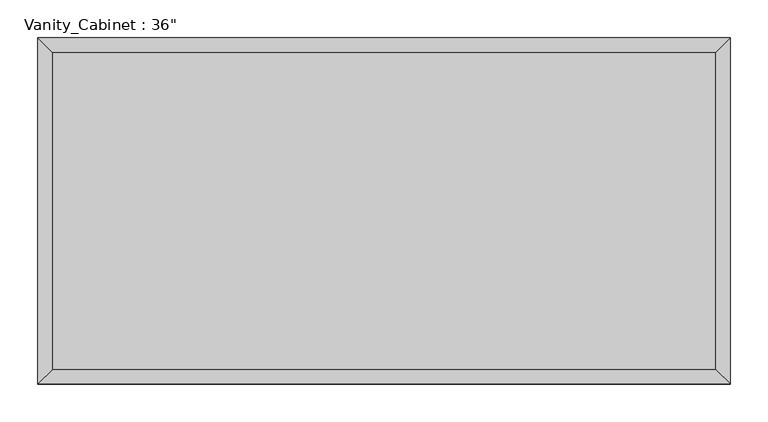
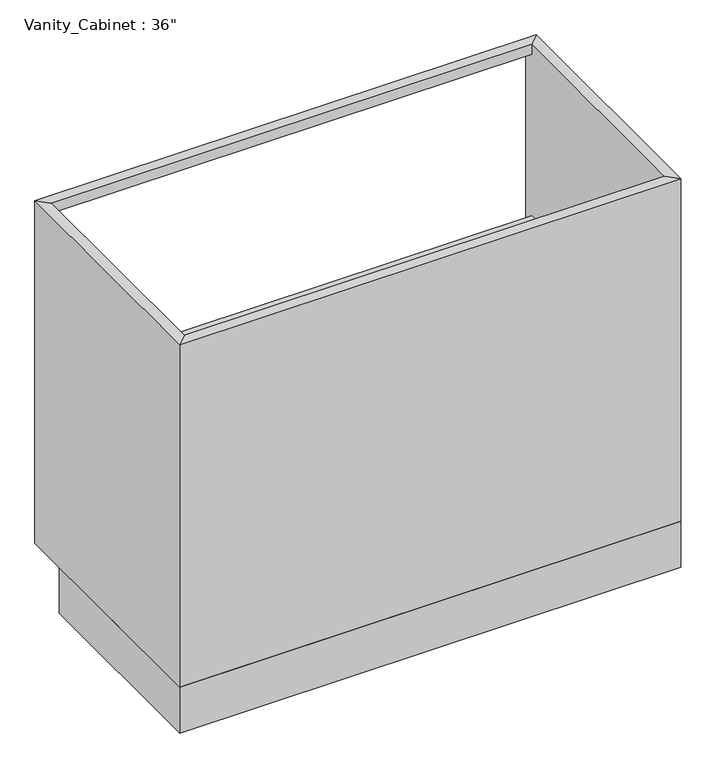
"""IFC4 building model written with IfcOpenShell, lengths in millimetres: furniture geometry."""

from ifc_helpers import new_model, si_unit, frame, origin, origin_with_axes, place, context, project, spatial, polyline, outline, extrude, faceted_brep, source, transform, mapped, element, save


def furniture_66ae443b(model_context):
    return source(origin(), model_context, "Body", "SolidModel", [
        extrude(outline(polyline([(456.8877049, 19.05), (-419.4122951, 19.05), (-419.4122951, 438.15), (456.8877049, 438.15), (456.8877049, 19.05)])), frame((0.0, 0.0, 400.05), z_axis=(0.0, 0.0, 1.0), x_axis=(1.0, 0.0, 0.0)), (0.0, 0.0, 1.0), 19.05),
        extrude(outline(polyline([(456.8877049, 19.05), (-419.4122951, 19.05), (-419.4122951, 438.15), (456.8877049, 438.15), (456.8877049, 19.05)])), frame((0.0, 0.0, 88.9), z_axis=(0.0, 0.0, 1.0), x_axis=(1.0, 0.0, 0.0)), (0.0, 0.0, 1.0), 19.05),
        faceted_brep([(456.8877049, 438.15, 88.9), (456.8877049, 438.15, 107.95), (-419.4122951, 438.15, 107.95), (-419.4122951, 438.15, 88.9), (-419.4122951, 438.15, 749.3), (-419.4122951, 438.15, 730.25), (456.8877049, 438.15, 730.25), (456.8877049, 438.15, 749.3), (475.9377049, 457.2, 749.3), (-438.4622951, 457.2, 749.3), (475.9377049, 457.2, 88.9), (-438.4622951, 457.2, 88.9), (456.8877049, 457.2, 107.95), (456.8877049, 457.2, 730.25), (-419.4122951, 457.2, 730.25), (-419.4122951, 457.2, 107.95), (-419.4122951, 19.05, 749.3), (-419.4122951, 19.05, 88.9), (-438.4622951, 0.0, 749.3), (-438.4622951, 0.0, 88.9), (456.8877049, 19.05, 749.3), (456.8877049, 19.05, 88.9), (475.9377049, 0.0, 749.3), (475.9377049, 0.0, 88.9)], [[[0, 1, 2, 3]], [[4, 5, 6, 7]], [[7, 8, 9, 4]], [[8, 10, 11, 9], [12, 13, 14, 15]], [[3, 11, 10, 0]], [[3, 2, 15, 14, 5, 4, 16, 17]], [[9, 18, 16, 4]], [[11, 19, 18, 9]], [[3, 17, 19, 11]], [[16, 20, 21, 17]], [[18, 22, 20, 16]], [[19, 23, 22, 18]], [[17, 21, 23, 19]], [[20, 7, 6, 13, 12, 1, 0, 21]], [[7, 20, 22, 8]], [[8, 22, 23, 10]], [[10, 23, 21, 0]], [[2, 1, 12, 15]], [[14, 13, 6, 5]]]),
        extrude(outline(polyline([(475.9377049, 0.0), (-438.4622951, 0.0), (-438.4622951, 381.0), (475.9377049, 381.0), (475.9377049, 0.0)])), origin_with_axes(), (0.0, 0.0, 1.0), 88.9),
    ])


if __name__ == "__main__":
    model = new_model("IFC4")
    model_context = context("Model", 3, world=origin())
    ifc_project = project(units=[si_unit("LENGTHUNIT", "METRE", prefix="MILLI")], contexts=[model_context])
    site = spatial("IfcSite", under=ifc_project)
    building = spatial("IfcBuilding", under=site)
    placement = place(None, origin())
    furniture_shape = furniture_66ae443b(model_context)
    element("IfcFurniture", 1, ObjectType="Vanity_Cabinet : 36\"", at=placement, inside=building, context=model_context, shape_type="MappedRepresentation", body=[
        mapped(furniture_shape, transform((0.0, 0.0, 0.0), x_axis=(1.0, 0.0, 0.0), y_axis=(0.0, 1.0, 0.0), z_axis=(0.0, 0.0, 1.0))),
    ])
    save(model, "model.ifc")
